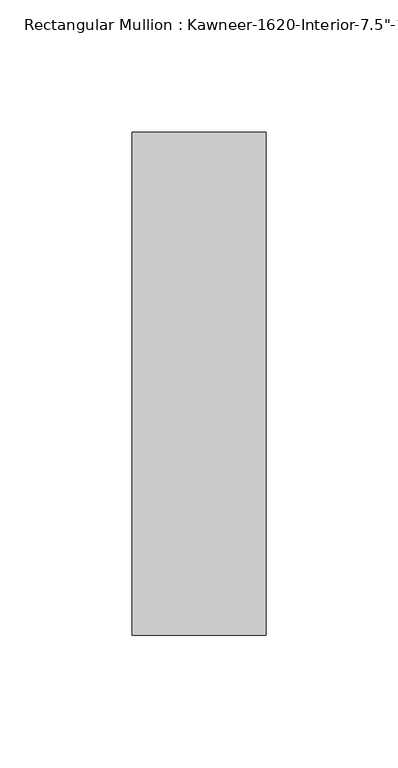
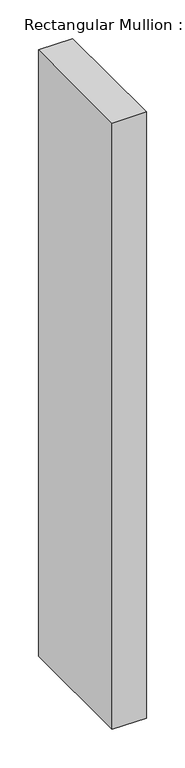
"""IFC4 building model written with IfcOpenShell, lengths in millimetres: member geometry."""

from ifc_helpers import new_model, si_unit, frame, origin, place, context, project, spatial, polyline, outline, extrude, source, transform, mapped, element, save


def member_34e61f78(model_context):
    return source(origin(), model_context, "Body", "SweptSolid", [
        extrude(outline(polyline([(25.4, -152.4), (-25.4, -152.4), (-25.4, 38.1), (25.4, 38.1), (25.4, -152.4)])), frame((0.0, 0.0, -955.675), z_axis=(0.0, 0.0, 1.0), x_axis=(1.0, 0.0, 0.0)), (0.0, 0.0, 1.0), 955.675),
    ])


if __name__ == "__main__":
    model = new_model("IFC4")
    model_context = context("Model", 3, world=origin())
    ifc_project = project(units=[si_unit("LENGTHUNIT", "METRE", prefix="MILLI")], contexts=[model_context])
    site = spatial("IfcSite", under=ifc_project)
    building = spatial("IfcBuilding", under=site)
    placement = place(None, origin())
    member_shape = member_34e61f78(model_context)
    element("IfcMember", 1, ObjectType="Rectangular Mullion : Kawneer-1620-Interior-7.5\"-1\"Infill", at=placement, inside=building, context=model_context, shape_type="MappedRepresentation", body=[
        mapped(member_shape, transform((0.0, 0.0, 0.0), x_axis=(1.0, 0.0, 0.0), y_axis=(0.0, 1.0, 0.0), z_axis=(0.0, 0.0, 1.0))),
    ])
    save(model, "model.ifc")
